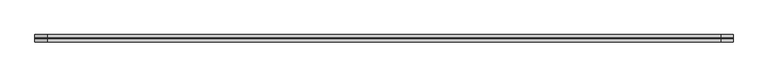
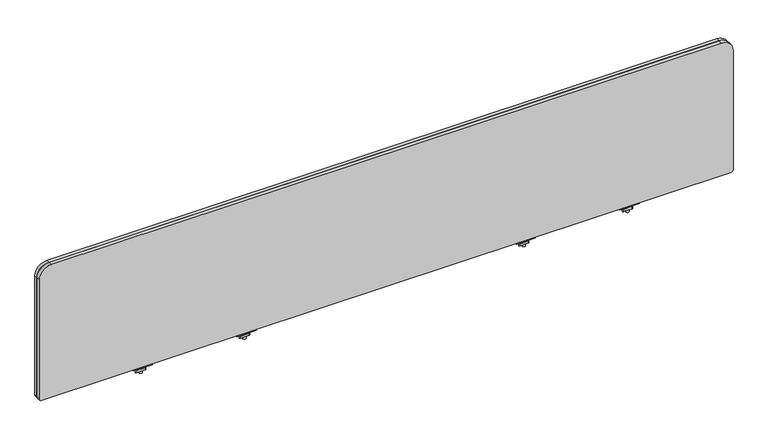
"""IFC4 building model written with IfcOpenShell, lengths in millimetres: furniture geometry."""

from ifc_helpers import new_model, si_unit, frame, origin, place, context, project, spatial, polyline, circle_curve, source, transform, mapped, element, save
from ifc_brep_helpers import plane_surface, cylinder_surface, revolved_surface, advanced_brep


def furniture_36da5503(model_context):
    return source(origin(), model_context, "Body", "AdvancedBrep", [
        advanced_brep(
        [(572.3633004, -29.196837, 670.6616072), (572.3633004, -33.5530914, 671.3021931), (572.3633004, -43.8905804, 671.3021931), (572.3633004, -48.246837, 670.6616072), (572.3633004, -48.246837, 668.8074326), (572.3633004, -29.196837, 668.8074326), (521.5633035, -29.196837, 670.6616072), (521.5633035, -29.196837, 668.8074326), (521.5633035, -48.246837, 668.8074326), (521.5633035, -48.246837, 670.6616072), (521.5633035, -43.8905804, 671.3021931), (521.5633035, -33.5530914, 671.3021931), (542.8705233, -38.7342719, 668.8074326), (550.8534767, -38.7342719, 668.8074326), (550.8534767, -38.7342719, 671.3021931), (542.8705233, -38.7342719, 671.3021931), (542.8705233, -38.7342719, 650.2879234), (550.8534767, -38.7342719, 650.2879234), (542.8705233, -38.7342719, 676.3883652), (550.8534767, -38.7342719, 676.3883652), (542.8705233, -38.7342719, 665.4211567), (550.8534767, -38.7342719, 665.4211567), (550.8534767, -38.7342719, 659.0711809), (542.8705233, -38.7342719, 659.0711809), (536.5459918, -33.0068357, 665.4211567), (530.3868209, -43.6748356, 665.4211567), (531.7066433, -45.9608347, 665.4211567), (554.7392346, -45.9608347, 665.4211567), (557.3788771, -44.4368361, 665.4211567), (563.5380487, -33.7688351, 665.4211567), (562.2182256, -31.4828349, 665.4211567), (539.1856383, -31.4828349, 665.4211567), (536.5459918, -33.0068357, 659.0711809), (539.1856383, -31.4828349, 659.0711809), (562.2182256, -31.4828349, 659.0711809), (563.5380487, -33.7688351, 659.0711809), (557.3788771, -44.4368361, 659.0711809), (554.7392346, -45.9608347, 659.0711809), (531.7066433, -45.9608347, 659.0711809), (530.3868209, -43.6748356, 659.0711809)],
        [
            (0, 1),
            (1, 2),
            (2, 3),
            (3, 4),
            (4, 5),
            (5, 0),
            (6, 7),
            (7, 8),
            (8, 9),
            (9, 10),
            (10, 11),
            (11, 6),
            (5, 7),
            (6, 0),
            (4, 8),
            (12, 13, circle_curve(frame((546.862, -38.7342719, 668.8074326), z_axis=(0.0, 0.0, 1.0), x_axis=(1.0, 0.0, 0.0)), 3.9914767)),
            (13, 12, circle_curve(frame((546.862, -38.7342719, 668.8074326), z_axis=(0.0, 0.0, 1.0), x_axis=(1.0, 0.0, 0.0)), 3.9914767)),
            (3, 9),
            (2, 10),
            (1, 11),
            (14, 15, circle_curve(frame((546.862, -38.7342719, 671.3021931), z_axis=(0.0, 0.0, -1.0), x_axis=(1.0, 0.0, 0.0)), 3.9914767)),
            (15, 14, circle_curve(frame((546.862, -38.7342719, 671.3021931), z_axis=(0.0, 0.0, -1.0), x_axis=(1.0, 0.0, 0.0)), 3.9914767)),
            (16, 17, circle_curve(frame((546.862, -38.7342719, 650.2879234), z_axis=(0.0, 0.0, -1.0), x_axis=(1.0, 0.0, 0.0)), 3.9914767)),
            (17, 16, circle_curve(frame((546.862, -38.7342719, 650.2879234), z_axis=(0.0, 0.0, -1.0), x_axis=(1.0, 0.0, 0.0)), 3.9914767)),
            (18, 19, circle_curve(frame((546.862, -38.7342719, 676.3883652), z_axis=(0.0, 0.0, 1.0), x_axis=(1.0, 0.0, 0.0)), 3.9914767)),
            (19, 18, circle_curve(frame((546.862, -38.7342719, 676.3883652), z_axis=(0.0, 0.0, 1.0), x_axis=(1.0, 0.0, 0.0)), 3.9914767)),
            (12, 20),
            (20, 21, circle_curve(frame((546.862, -38.7342719, 665.4211567), z_axis=(0.0, 0.0, 1.0), x_axis=(1.0, 0.0, 0.0)), 3.9914767)),
            (21, 13),
            (17, 22),
            (22, 23, circle_curve(frame((546.862, -38.7342719, 659.0711809), z_axis=(0.0, 0.0, -1.0), x_axis=(1.0, 0.0, 0.0)), 3.9914767)),
            (23, 16),
            (18, 15),
            (14, 19),
            (21, 20, circle_curve(frame((546.862, -38.7342719, 665.4211567), z_axis=(0.0, 0.0, 1.0), x_axis=(1.0, 0.0, 0.0)), 3.9914767)),
            (23, 22, circle_curve(frame((546.862, -38.7342719, 659.0711809), z_axis=(0.0, 0.0, -1.0), x_axis=(1.0, 0.0, 0.0)), 3.9914767)),
            (24, 25),
            (25, 26, circle_curve(frame((531.7066433, -44.4368352, 665.4211567), z_axis=(0.0, 0.0, 1.0), x_axis=(1.0, 0.0, 0.0)), 1.5239995)),
            (26, 27),
            (27, 28, circle_curve(frame((554.7392346, -42.9128382, 665.4211567), z_axis=(0.0, 0.0, 1.0), x_axis=(1.0, 0.0, 0.0)), 3.0479965)),
            (28, 29),
            (29, 30, circle_curve(frame((562.2182256, -33.0068351, 665.4211567), z_axis=(0.0, 0.0, 1.0), x_axis=(1.0, 0.0, 0.0)), 1.5240003)),
            (30, 31),
            (31, 24, circle_curve(frame((539.1856383, -34.5308359, 665.4211567), z_axis=(0.0, 0.0, 1.0), x_axis=(1.0, 0.0, 0.0)), 3.048001)),
            (32, 33, circle_curve(frame((539.1856383, -34.5308359, 659.0711809), z_axis=(0.0, 0.0, -1.0), x_axis=(1.0, 0.0, 0.0)), 3.048001)),
            (33, 34),
            (34, 35, circle_curve(frame((562.2182256, -33.0068351, 659.0711809), z_axis=(0.0, 0.0, -1.0), x_axis=(1.0, 0.0, 0.0)), 1.5240003)),
            (35, 36),
            (36, 37, circle_curve(frame((554.7392346, -42.9128382, 659.0711809), z_axis=(0.0, 0.0, -1.0), x_axis=(1.0, 0.0, 0.0)), 3.0479965)),
            (37, 38),
            (38, 39, circle_curve(frame((531.7066433, -44.4368352, 659.0711809), z_axis=(0.0, 0.0, -1.0), x_axis=(1.0, 0.0, 0.0)), 1.5239995)),
            (39, 32),
            (24, 32),
            (39, 25),
            (38, 26),
            (37, 27),
            (36, 28),
            (35, 29),
            (34, 30),
            (33, 31),
        ],
        [
            plane_surface(frame((572.3633004, -33.5530914, 671.3021931), z_axis=(1.0000000000000002, 0.0, 0.0), x_axis=(0.0, -0.9893604345476915, 0.14548515577749913))),
            plane_surface(frame((521.5633035, -33.5530914, 671.3021931), z_axis=(-1.0000000000000002, 0.0, 0.0), x_axis=(0.0, 0.9893604345476915, -0.14548515577749913))),
            plane_surface(frame((572.3633004, -29.196837, 668.8074326), z_axis=(0.0, 1.0, 0.0), x_axis=(-1.0, 0.0, 0.0))),
            plane_surface(frame((572.3633004, -48.246837, 668.8074326), z_axis=(0.0, 0.0, -1.0), x_axis=(-1.0, 0.0, 0.0))),
            plane_surface(frame((572.3633004, -48.246837, 670.6616072), z_axis=(0.0, -1.0, 0.0), x_axis=(-1.0, 0.0, 0.0))),
            plane_surface(frame((572.3633004, -43.8905804, 671.3021931), z_axis=(0.0, -0.1454850815406733, 0.9893604454641917), x_axis=(-1.0, 0.0, 0.0))),
            plane_surface(frame((572.3633004, -33.5530914, 671.3021931), z_axis=(0.0, 0.0, 1.0), x_axis=(-1.0, 0.0, 0.0))),
            plane_surface(frame((572.3633004, -29.196837, 670.6616072), z_axis=(0.0, 0.14548515577749913, 0.9893604345476915), x_axis=(-1.0, 0.0, 0.0))),
            plane_surface(frame((550.8534767, -38.7342719, 650.2879234), z_axis=(0.0, 0.0, -1.0), x_axis=(0.0, -1.0, 0.0))),
            plane_surface(frame((550.8534767, -38.7342719, 676.3883652), z_axis=(0.0, 0.0, 1.0), x_axis=(0.0, 1.0, 0.0))),
            cylinder_surface(frame((546.862, -38.7342719, 650.2879234), z_axis=(0.0, 0.0, 1.0), x_axis=(1.0, 0.0, 0.0)), 3.9914767),
            plane_surface(frame((530.3868201, -43.6748369, 665.4211567), z_axis=(0.0, 0.0, 1.0000000000000002), x_axis=(-0.4999998964528706, -0.8660254635673935, 0.0))),
            plane_surface(frame((530.3868201, -43.6748369, 659.0711809), z_axis=(0.0, 0.0, -1.0000000000000002), x_axis=(0.4999998964528706, 0.8660254635673935, 0.0))),
            plane_surface(frame((536.5459918, -33.0068357, 665.4211567), z_axis=(-0.8660254635673935, 0.4999998964528706, 0.0), x_axis=(0.0, 0.0, -1.0))),
            cylinder_surface(frame((531.7066433, -44.4368352, 659.0711809), z_axis=(0.0, 0.0, 1.0), x_axis=(1.0, 0.0, 0.0)), 1.5239995),
            plane_surface(frame((531.7066433, -45.9608347, 665.4211567), z_axis=(0.0, -1.0, 0.0), x_axis=(0.0, 0.0, -1.0))),
            cylinder_surface(frame((554.7392346, -42.9128382, 659.0711809), z_axis=(0.0, 0.0, 1.0), x_axis=(1.0, 0.0, 0.0)), 3.0479965),
            plane_surface(frame((557.3788771, -44.4368361, 665.4211567), z_axis=(0.8660254635674228, -0.4999998964528197, 0.0), x_axis=(0.0, 0.0, -1.0))),
            cylinder_surface(frame((562.2182256, -33.0068351, 659.0711809), z_axis=(0.0, 0.0, 1.0), x_axis=(1.0, 0.0, 0.0)), 1.5240003),
            plane_surface(frame((562.2182256, -31.4828349, 665.4211567), z_axis=(0.0, 1.0, 0.0), x_axis=(0.0, 0.0, -1.0))),
            cylinder_surface(frame((539.1856383, -34.5308359, 659.0711809), z_axis=(0.0, 0.0, 1.0), x_axis=(1.0, 0.0, 0.0)), 3.048001),
        ],
        [
            (0, [[1, 2, 3, 4, 5, 6]]),
            (1, [[7, 8, 9, 10, 11, 12]]),
            (2, [[-6, 13, -7, 14]]),
            (3, [[-5, 15, -8, -13], [16, 17]]),
            (4, [[-4, 18, -9, -15]]),
            (5, [[-3, 19, -10, -18]]),
            (6, [[-2, 20, -11, -19], [21, 22]]),
            (7, [[-1, -14, -12, -20]]),
            (8, [[23, 24]]),
            (9, [[25, 26]]),
            (10, [[-16, 27, 28, 29]]),
            (10, [[-24, 30, 31, 32]]),
            (10, [[-25, 33, -21, 34]]),
            (10, [[-17, -29, 35, -27]]),
            (10, [[-23, -32, 36, -30]]),
            (10, [[-26, -34, -22, -33]]),
            (11, [[37, 38, 39, 40, 41, 42, 43, 44], [-28, -35]]),
            (12, [[45, 46, 47, 48, 49, 50, 51, 52], [-31, -36]]),
            (13, [[-37, 53, -52, 54]]),
            (14, [[-38, -54, -51, 55]]),
            (15, [[-39, -55, -50, 56]]),
            (16, [[-40, -56, -49, 57]]),
            (17, [[-41, -57, -48, 58]]),
            (18, [[-42, -58, -47, 59]]),
            (19, [[-43, -59, -46, 60]]),
            (20, [[-44, -60, -45, -53]]),
        ],
    ),
        advanced_brep(
        [(1580.2353004, -29.196837, 670.6616072), (1580.2353004, -33.5530914, 671.3021931), (1580.2353004, -43.8905804, 671.3021931), (1580.2353004, -48.246837, 670.6616072), (1580.2353004, -48.246837, 668.8074326), (1580.2353004, -29.196837, 668.8074326), (1529.4353035, -29.196837, 670.6616072), (1529.4353035, -29.196837, 668.8074326), (1529.4353035, -48.246837, 668.8074326), (1529.4353035, -48.246837, 670.6616072), (1529.4353035, -43.8905804, 671.3021931), (1529.4353035, -33.5530914, 671.3021931), (1550.7425233, -38.7342719, 668.8074326), (1558.7254767, -38.7342719, 668.8074326), (1558.7254767, -38.7342719, 671.3021931), (1550.7425233, -38.7342719, 671.3021931), (1550.7425233, -38.7342719, 650.2879234), (1558.7254767, -38.7342719, 650.2879234), (1550.7425233, -38.7342719, 676.3883652), (1558.7254767, -38.7342719, 676.3883652), (1550.7425233, -38.7342719, 665.4211567), (1558.7254767, -38.7342719, 665.4211567), (1558.7254767, -38.7342719, 659.0711809), (1550.7425233, -38.7342719, 659.0711809), (1544.4179918, -33.0068357, 665.4211567), (1538.2588209, -43.6748356, 665.4211567), (1539.5786433, -45.9608347, 665.4211567), (1562.6112346, -45.9608347, 665.4211567), (1565.2508771, -44.4368361, 665.4211567), (1571.4100487, -33.7688351, 665.4211567), (1570.0902256, -31.4828349, 665.4211567), (1547.0576383, -31.4828349, 665.4211567), (1544.4179918, -33.0068357, 659.0711809), (1547.0576383, -31.4828349, 659.0711809), (1570.0902256, -31.4828349, 659.0711809), (1571.4100487, -33.7688351, 659.0711809), (1565.2508771, -44.4368361, 659.0711809), (1562.6112346, -45.9608347, 659.0711809), (1539.5786433, -45.9608347, 659.0711809), (1538.2588209, -43.6748356, 659.0711809)],
        [
            (0, 1),
            (1, 2),
            (2, 3),
            (3, 4),
            (4, 5),
            (5, 0),
            (6, 7),
            (7, 8),
            (8, 9),
            (9, 10),
            (10, 11),
            (11, 6),
            (5, 7),
            (6, 0),
            (4, 8),
            (12, 13, circle_curve(frame((1554.734, -38.7342719, 668.8074326), z_axis=(0.0, 0.0, 1.0), x_axis=(1.0, 0.0, 0.0)), 3.9914767)),
            (13, 12, circle_curve(frame((1554.734, -38.7342719, 668.8074326), z_axis=(0.0, 0.0, 1.0), x_axis=(1.0, 0.0, 0.0)), 3.9914767)),
            (3, 9),
            (2, 10),
            (1, 11),
            (14, 15, circle_curve(frame((1554.734, -38.7342719, 671.3021931), z_axis=(0.0, 0.0, -1.0), x_axis=(1.0, 0.0, 0.0)), 3.9914767)),
            (15, 14, circle_curve(frame((1554.734, -38.7342719, 671.3021931), z_axis=(0.0, 0.0, -1.0), x_axis=(1.0, 0.0, 0.0)), 3.9914767)),
            (16, 17, circle_curve(frame((1554.734, -38.7342719, 650.2879234), z_axis=(0.0, 0.0, -1.0), x_axis=(1.0, 0.0, 0.0)), 3.9914767)),
            (17, 16, circle_curve(frame((1554.734, -38.7342719, 650.2879234), z_axis=(0.0, 0.0, -1.0), x_axis=(1.0, 0.0, 0.0)), 3.9914767)),
            (18, 19, circle_curve(frame((1554.734, -38.7342719, 676.3883652), z_axis=(0.0, 0.0, 1.0), x_axis=(1.0, 0.0, 0.0)), 3.9914767)),
            (19, 18, circle_curve(frame((1554.734, -38.7342719, 676.3883652), z_axis=(0.0, 0.0, 1.0), x_axis=(1.0, 0.0, 0.0)), 3.9914767)),
            (12, 20),
            (20, 21, circle_curve(frame((1554.734, -38.7342719, 665.4211567), z_axis=(0.0, 0.0, 1.0), x_axis=(1.0, 0.0, 0.0)), 3.9914767)),
            (21, 13),
            (17, 22),
            (22, 23, circle_curve(frame((1554.734, -38.7342719, 659.0711809), z_axis=(0.0, 0.0, -1.0), x_axis=(1.0, 0.0, 0.0)), 3.9914767)),
            (23, 16),
            (18, 15),
            (14, 19),
            (21, 20, circle_curve(frame((1554.734, -38.7342719, 665.4211567), z_axis=(0.0, 0.0, 1.0), x_axis=(1.0, 0.0, 0.0)), 3.9914767)),
            (23, 22, circle_curve(frame((1554.734, -38.7342719, 659.0711809), z_axis=(0.0, 0.0, -1.0), x_axis=(1.0, 0.0, 0.0)), 3.9914767)),
            (24, 25),
            (25, 26, circle_curve(frame((1539.5786433, -44.4368352, 665.4211567), z_axis=(0.0, 0.0, 1.0), x_axis=(1.0, 0.0, 0.0)), 1.5239995)),
            (26, 27),
            (27, 28, circle_curve(frame((1562.6112346, -42.9128382, 665.4211567), z_axis=(0.0, 0.0, 1.0), x_axis=(1.0, 0.0, 0.0)), 3.0479965)),
            (28, 29),
            (29, 30, circle_curve(frame((1570.0902256, -33.0068351, 665.4211567), z_axis=(0.0, 0.0, 1.0), x_axis=(1.0, 0.0, 0.0)), 1.5240003)),
            (30, 31),
            (31, 24, circle_curve(frame((1547.0576383, -34.5308359, 665.4211567), z_axis=(0.0, 0.0, 1.0), x_axis=(1.0, 0.0, 0.0)), 3.048001)),
            (32, 33, circle_curve(frame((1547.0576383, -34.5308359, 659.0711809), z_axis=(0.0, 0.0, -1.0), x_axis=(1.0, 0.0, 0.0)), 3.048001)),
            (33, 34),
            (34, 35, circle_curve(frame((1570.0902256, -33.0068351, 659.0711809), z_axis=(0.0, 0.0, -1.0), x_axis=(1.0, 0.0, 0.0)), 1.5240003)),
            (35, 36),
            (36, 37, circle_curve(frame((1562.6112346, -42.9128382, 659.0711809), z_axis=(0.0, 0.0, -1.0), x_axis=(1.0, 0.0, 0.0)), 3.0479965)),
            (37, 38),
            (38, 39, circle_curve(frame((1539.5786433, -44.4368352, 659.0711809), z_axis=(0.0, 0.0, -1.0), x_axis=(1.0, 0.0, 0.0)), 1.5239995)),
            (39, 32),
            (24, 32),
            (39, 25),
            (38, 26),
            (37, 27),
            (36, 28),
            (35, 29),
            (34, 30),
            (33, 31),
        ],
        [
            plane_surface(frame((1580.2353004, -33.5530914, 671.3021931), z_axis=(1.0000000000000002, 0.0, 0.0), x_axis=(0.0, -0.9893604345476915, 0.14548515577749913))),
            plane_surface(frame((1529.4353035, -33.5530914, 671.3021931), z_axis=(-1.0000000000000002, 0.0, 0.0), x_axis=(0.0, 0.9893604345476915, -0.14548515577749913))),
            plane_surface(frame((1580.2353004, -29.196837, 668.8074326), z_axis=(0.0, 1.0, 0.0), x_axis=(-1.0, 0.0, 0.0))),
            plane_surface(frame((1580.2353004, -48.246837, 668.8074326), z_axis=(0.0, 0.0, -1.0), x_axis=(-1.0, 0.0, 0.0))),
            plane_surface(frame((1580.2353004, -48.246837, 670.6616072), z_axis=(0.0, -1.0, 0.0), x_axis=(-1.0, 0.0, 0.0))),
            plane_surface(frame((1580.2353004, -43.8905804, 671.3021931), z_axis=(0.0, -0.1454850815406733, 0.9893604454641917), x_axis=(-1.0, 0.0, 0.0))),
            plane_surface(frame((1580.2353004, -33.5530914, 671.3021931), z_axis=(0.0, 0.0, 1.0), x_axis=(-1.0, 0.0, 0.0))),
            plane_surface(frame((1580.2353004, -29.196837, 670.6616072), z_axis=(0.0, 0.14548515577749913, 0.9893604345476915), x_axis=(-1.0, 0.0, 0.0))),
            plane_surface(frame((1558.7254767, -38.7342719, 650.2879234), z_axis=(0.0, 0.0, -1.0), x_axis=(0.0, -1.0, 0.0))),
            plane_surface(frame((1558.7254767, -38.7342719, 676.3883652), z_axis=(0.0, 0.0, 1.0), x_axis=(0.0, 1.0, 0.0))),
            cylinder_surface(frame((1554.734, -38.7342719, 650.2879234), z_axis=(0.0, 0.0, 1.0), x_axis=(1.0, 0.0, 0.0)), 3.9914767),
            plane_surface(frame((1538.2588201, -43.6748369, 665.4211567), z_axis=(0.0, 0.0, 1.0000000000000002), x_axis=(-0.4999998964528706, -0.8660254635673935, 0.0))),
            plane_surface(frame((1538.2588201, -43.6748369, 659.0711809), z_axis=(0.0, 0.0, -1.0000000000000002), x_axis=(0.4999998964528706, 0.8660254635673935, 0.0))),
            plane_surface(frame((1544.4179918, -33.0068357, 665.4211567), z_axis=(-0.8660254635673935, 0.4999998964528706, 0.0), x_axis=(0.0, 0.0, -1.0))),
            cylinder_surface(frame((1539.5786433, -44.4368352, 659.0711809), z_axis=(0.0, 0.0, 1.0), x_axis=(1.0, 0.0, 0.0)), 1.5239995),
            plane_surface(frame((1539.5786433, -45.9608347, 665.4211567), z_axis=(0.0, -1.0, 0.0), x_axis=(0.0, 0.0, -1.0))),
            cylinder_surface(frame((1562.6112346, -42.9128382, 659.0711809), z_axis=(0.0, 0.0, 1.0), x_axis=(1.0, 0.0, 0.0)), 3.0479965),
            plane_surface(frame((1565.2508771, -44.4368361, 665.4211567), z_axis=(0.8660254635674228, -0.4999998964528197, 0.0), x_axis=(0.0, 0.0, -1.0))),
            cylinder_surface(frame((1570.0902256, -33.0068351, 659.0711809), z_axis=(0.0, 0.0, 1.0), x_axis=(1.0, 0.0, 0.0)), 1.5240003),
            plane_surface(frame((1570.0902256, -31.4828349, 665.4211567), z_axis=(0.0, 1.0, 0.0), x_axis=(0.0, 0.0, -1.0))),
            cylinder_surface(frame((1547.0576383, -34.5308359, 659.0711809), z_axis=(0.0, 0.0, 1.0), x_axis=(1.0, 0.0, 0.0)), 3.048001),
        ],
        [
            (0, [[1, 2, 3, 4, 5, 6]]),
            (1, [[7, 8, 9, 10, 11, 12]]),
            (2, [[-6, 13, -7, 14]]),
            (3, [[-5, 15, -8, -13], [16, 17]]),
            (4, [[-4, 18, -9, -15]]),
            (5, [[-3, 19, -10, -18]]),
            (6, [[-2, 20, -11, -19], [21, 22]]),
            (7, [[-1, -14, -12, -20]]),
            (8, [[23, 24]]),
            (9, [[25, 26]]),
            (10, [[-16, 27, 28, 29]]),
            (10, [[-24, 30, 31, 32]]),
            (10, [[-25, 33, -21, 34]]),
            (10, [[-17, -29, 35, -27]]),
            (10, [[-23, -32, 36, -30]]),
            (10, [[-26, -34, -22, -33]]),
            (11, [[37, 38, 39, 40, 41, 42, 43, 44], [-28, -35]]),
            (12, [[45, 46, 47, 48, 49, 50, 51, 52], [-31, -36]]),
            (13, [[-37, 53, -52, 54]]),
            (14, [[-38, -54, -51, 55]]),
            (15, [[-39, -55, -50, 56]]),
            (16, [[-40, -56, -49, 57]]),
            (17, [[-41, -57, -48, 58]]),
            (18, [[-42, -58, -47, 59]]),
            (19, [[-43, -59, -46, 60]]),
            (20, [[-44, -60, -45, -53]]),
        ],
    ),
        advanced_brep(
        [(1307.4393004, -29.196837, 670.6616072), (1307.4393004, -33.5530914, 671.3021931), (1307.4393004, -43.8905804, 671.3021931), (1307.4393004, -48.246837, 670.6616072), (1307.4393004, -48.246837, 668.8074326), (1307.4393004, -29.196837, 668.8074326), (1256.6393035, -29.196837, 670.6616072), (1256.6393035, -29.196837, 668.8074326), (1256.6393035, -48.246837, 668.8074326), (1256.6393035, -48.246837, 670.6616072), (1256.6393035, -43.8905804, 671.3021931), (1256.6393035, -33.5530914, 671.3021931), (1277.9465233, -38.7342719, 668.8074326), (1285.9294767, -38.7342719, 668.8074326), (1285.9294767, -38.7342719, 671.3021931), (1277.9465233, -38.7342719, 671.3021931), (1277.9465233, -38.7342719, 650.2879234), (1285.9294767, -38.7342719, 650.2879234), (1277.9465233, -38.7342719, 676.3883652), (1285.9294767, -38.7342719, 676.3883652), (1277.9465233, -38.7342719, 665.4211567), (1285.9294767, -38.7342719, 665.4211567), (1285.9294767, -38.7342719, 659.0711809), (1277.9465233, -38.7342719, 659.0711809), (1271.6219918, -33.0068357, 665.4211567), (1265.4628209, -43.6748356, 665.4211567), (1266.7826433, -45.9608347, 665.4211567), (1289.8152346, -45.9608347, 665.4211567), (1292.4548771, -44.4368361, 665.4211567), (1298.6140487, -33.7688351, 665.4211567), (1297.2942256, -31.4828349, 665.4211567), (1274.2616383, -31.4828349, 665.4211567), (1271.6219918, -33.0068357, 659.0711809), (1274.2616383, -31.4828349, 659.0711809), (1297.2942256, -31.4828349, 659.0711809), (1298.6140487, -33.7688351, 659.0711809), (1292.4548771, -44.4368361, 659.0711809), (1289.8152346, -45.9608347, 659.0711809), (1266.7826433, -45.9608347, 659.0711809), (1265.4628209, -43.6748356, 659.0711809)],
        [
            (0, 1),
            (1, 2),
            (2, 3),
            (3, 4),
            (4, 5),
            (5, 0),
            (6, 7),
            (7, 8),
            (8, 9),
            (9, 10),
            (10, 11),
            (11, 6),
            (5, 7),
            (6, 0),
            (4, 8),
            (12, 13, circle_curve(frame((1281.938, -38.7342719, 668.8074326), z_axis=(0.0, 0.0, 1.0), x_axis=(1.0, 0.0, 0.0)), 3.9914767)),
            (13, 12, circle_curve(frame((1281.938, -38.7342719, 668.8074326), z_axis=(0.0, 0.0, 1.0), x_axis=(1.0, 0.0, 0.0)), 3.9914767)),
            (3, 9),
            (2, 10),
            (1, 11),
            (14, 15, circle_curve(frame((1281.938, -38.7342719, 671.3021931), z_axis=(0.0, 0.0, -1.0), x_axis=(1.0, 0.0, 0.0)), 3.9914767)),
            (15, 14, circle_curve(frame((1281.938, -38.7342719, 671.3021931), z_axis=(0.0, 0.0, -1.0), x_axis=(1.0, 0.0, 0.0)), 3.9914767)),
            (16, 17, circle_curve(frame((1281.938, -38.7342719, 650.2879234), z_axis=(0.0, 0.0, -1.0), x_axis=(1.0, 0.0, 0.0)), 3.9914767)),
            (17, 16, circle_curve(frame((1281.938, -38.7342719, 650.2879234), z_axis=(0.0, 0.0, -1.0), x_axis=(1.0, 0.0, 0.0)), 3.9914767)),
            (18, 19, circle_curve(frame((1281.938, -38.7342719, 676.3883652), z_axis=(0.0, 0.0, 1.0), x_axis=(1.0, 0.0, 0.0)), 3.9914767)),
            (19, 18, circle_curve(frame((1281.938, -38.7342719, 676.3883652), z_axis=(0.0, 0.0, 1.0), x_axis=(1.0, 0.0, 0.0)), 3.9914767)),
            (12, 20),
            (20, 21, circle_curve(frame((1281.938, -38.7342719, 665.4211567), z_axis=(0.0, 0.0, 1.0), x_axis=(1.0, 0.0, 0.0)), 3.9914767)),
            (21, 13),
            (17, 22),
            (22, 23, circle_curve(frame((1281.938, -38.7342719, 659.0711809), z_axis=(0.0, 0.0, -1.0), x_axis=(1.0, 0.0, 0.0)), 3.9914767)),
            (23, 16),
            (18, 15),
            (14, 19),
            (21, 20, circle_curve(frame((1281.938, -38.7342719, 665.4211567), z_axis=(0.0, 0.0, 1.0), x_axis=(1.0, 0.0, 0.0)), 3.9914767)),
            (23, 22, circle_curve(frame((1281.938, -38.7342719, 659.0711809), z_axis=(0.0, 0.0, -1.0), x_axis=(1.0, 0.0, 0.0)), 3.9914767)),
            (24, 25),
            (25, 26, circle_curve(frame((1266.7826433, -44.4368352, 665.4211567), z_axis=(0.0, 0.0, 1.0), x_axis=(1.0, 0.0, 0.0)), 1.5239995)),
            (26, 27),
            (27, 28, circle_curve(frame((1289.8152346, -42.9128382, 665.4211567), z_axis=(0.0, 0.0, 1.0), x_axis=(1.0, 0.0, 0.0)), 3.0479965)),
            (28, 29),
            (29, 30, circle_curve(frame((1297.2942256, -33.0068351, 665.4211567), z_axis=(0.0, 0.0, 1.0), x_axis=(1.0, 0.0, 0.0)), 1.5240003)),
            (30, 31),
            (31, 24, circle_curve(frame((1274.2616383, -34.5308359, 665.4211567), z_axis=(0.0, 0.0, 1.0), x_axis=(1.0, 0.0, 0.0)), 3.048001)),
            (32, 33, circle_curve(frame((1274.2616383, -34.5308359, 659.0711809), z_axis=(0.0, 0.0, -1.0), x_axis=(1.0, 0.0, 0.0)), 3.048001)),
            (33, 34),
            (34, 35, circle_curve(frame((1297.2942256, -33.0068351, 659.0711809), z_axis=(0.0, 0.0, -1.0), x_axis=(1.0, 0.0, 0.0)), 1.5240003)),
            (35, 36),
            (36, 37, circle_curve(frame((1289.8152346, -42.9128382, 659.0711809), z_axis=(0.0, 0.0, -1.0), x_axis=(1.0, 0.0, 0.0)), 3.0479965)),
            (37, 38),
            (38, 39, circle_curve(frame((1266.7826433, -44.4368352, 659.0711809), z_axis=(0.0, 0.0, -1.0), x_axis=(1.0, 0.0, 0.0)), 1.5239995)),
            (39, 32),
            (24, 32),
            (39, 25),
            (38, 26),
            (37, 27),
            (36, 28),
            (35, 29),
            (34, 30),
            (33, 31),
        ],
        [
            plane_surface(frame((1307.4393004, -33.5530914, 671.3021931), z_axis=(1.0000000000000002, 0.0, 0.0), x_axis=(0.0, -0.9893604345476915, 0.14548515577749913))),
            plane_surface(frame((1256.6393035, -33.5530914, 671.3021931), z_axis=(-1.0000000000000002, 0.0, 0.0), x_axis=(0.0, 0.9893604345476915, -0.14548515577749913))),
            plane_surface(frame((1307.4393004, -29.196837, 668.8074326), z_axis=(0.0, 1.0, 0.0), x_axis=(-1.0, 0.0, 0.0))),
            plane_surface(frame((1307.4393004, -48.246837, 668.8074326), z_axis=(0.0, 0.0, -1.0), x_axis=(-1.0, 0.0, 0.0))),
            plane_surface(frame((1307.4393004, -48.246837, 670.6616072), z_axis=(0.0, -1.0, 0.0), x_axis=(-1.0, 0.0, 0.0))),
            plane_surface(frame((1307.4393004, -43.8905804, 671.3021931), z_axis=(0.0, -0.1454850815406733, 0.9893604454641917), x_axis=(-1.0, 0.0, 0.0))),
            plane_surface(frame((1307.4393004, -33.5530914, 671.3021931), z_axis=(0.0, 0.0, 1.0), x_axis=(-1.0, 0.0, 0.0))),
            plane_surface(frame((1307.4393004, -29.196837, 670.6616072), z_axis=(0.0, 0.14548515577749913, 0.9893604345476915), x_axis=(-1.0, 0.0, 0.0))),
            plane_surface(frame((1285.9294767, -38.7342719, 650.2879234), z_axis=(0.0, 0.0, -1.0), x_axis=(0.0, -1.0, 0.0))),
            plane_surface(frame((1285.9294767, -38.7342719, 676.3883652), z_axis=(0.0, 0.0, 1.0), x_axis=(0.0, 1.0, 0.0))),
            cylinder_surface(frame((1281.938, -38.7342719, 650.2879234), z_axis=(0.0, 0.0, 1.0), x_axis=(1.0, 0.0, 0.0)), 3.9914767),
            plane_surface(frame((1265.4628201, -43.6748369, 665.4211567), z_axis=(0.0, 0.0, 1.0000000000000002), x_axis=(-0.4999998964528706, -0.8660254635673935, 0.0))),
            plane_surface(frame((1265.4628201, -43.6748369, 659.0711809), z_axis=(0.0, 0.0, -1.0000000000000002), x_axis=(0.4999998964528706, 0.8660254635673935, 0.0))),
            plane_surface(frame((1271.6219918, -33.0068357, 665.4211567), z_axis=(-0.8660254635673935, 0.4999998964528706, 0.0), x_axis=(0.0, 0.0, -1.0))),
            cylinder_surface(frame((1266.7826433, -44.4368352, 659.0711809), z_axis=(0.0, 0.0, 1.0), x_axis=(1.0, 0.0, 0.0)), 1.5239995),
            plane_surface(frame((1266.7826433, -45.9608347, 665.4211567), z_axis=(0.0, -1.0, 0.0), x_axis=(0.0, 0.0, -1.0))),
            cylinder_surface(frame((1289.8152346, -42.9128382, 659.0711809), z_axis=(0.0, 0.0, 1.0), x_axis=(1.0, 0.0, 0.0)), 3.0479965),
            plane_surface(frame((1292.4548771, -44.4368361, 665.4211567), z_axis=(0.8660254635674228, -0.4999998964528197, 0.0), x_axis=(0.0, 0.0, -1.0))),
            cylinder_surface(frame((1297.2942256, -33.0068351, 659.0711809), z_axis=(0.0, 0.0, 1.0), x_axis=(1.0, 0.0, 0.0)), 1.5240003),
            plane_surface(frame((1297.2942256, -31.4828349, 665.4211567), z_axis=(0.0, 1.0, 0.0), x_axis=(0.0, 0.0, -1.0))),
            cylinder_surface(frame((1274.2616383, -34.5308359, 659.0711809), z_axis=(0.0, 0.0, 1.0), x_axis=(1.0, 0.0, 0.0)), 3.048001),
        ],
        [
            (0, [[1, 2, 3, 4, 5, 6]]),
            (1, [[7, 8, 9, 10, 11, 12]]),
            (2, [[-6, 13, -7, 14]]),
            (3, [[-5, 15, -8, -13], [16, 17]]),
            (4, [[-4, 18, -9, -15]]),
            (5, [[-3, 19, -10, -18]]),
            (6, [[-2, 20, -11, -19], [21, 22]]),
            (7, [[-1, -14, -12, -20]]),
            (8, [[23, 24]]),
            (9, [[25, 26]]),
            (10, [[-16, 27, 28, 29]]),
            (10, [[-24, 30, 31, 32]]),
            (10, [[-25, 33, -21, 34]]),
            (10, [[-17, -29, 35, -27]]),
            (10, [[-23, -32, 36, -30]]),
            (10, [[-26, -34, -22, -33]]),
            (11, [[37, 38, 39, 40, 41, 42, 43, 44], [-28, -35]]),
            (12, [[45, 46, 47, 48, 49, 50, 51, 52], [-31, -36]]),
            (13, [[-37, 53, -52, 54]]),
            (14, [[-38, -54, -51, 55]]),
            (15, [[-39, -55, -50, 56]]),
            (16, [[-40, -56, -49, 57]]),
            (17, [[-41, -57, -48, 58]]),
            (18, [[-42, -58, -47, 59]]),
            (19, [[-43, -59, -46, 60]]),
            (20, [[-44, -60, -45, -53]]),
        ],
    ),
        advanced_brep(
        [(299.5673004, -29.196837, 670.6616072), (299.5673004, -33.5530914, 671.3021931), (299.5673004, -43.8905804, 671.3021931), (299.5673004, -48.246837, 670.6616072), (299.5673004, -48.246837, 668.8074326), (299.5673004, -29.196837, 668.8074326), (248.7673035, -29.196837, 670.6616072), (248.7673035, -29.196837, 668.8074326), (248.7673035, -48.246837, 668.8074326), (248.7673035, -48.246837, 670.6616072), (248.7673035, -43.8905804, 671.3021931), (248.7673035, -33.5530914, 671.3021931), (270.0745233, -38.7342719, 668.8074326), (278.0574767, -38.7342719, 668.8074326), (278.0574767, -38.7342719, 671.3021931), (270.0745233, -38.7342719, 671.3021931), (270.0745233, -38.7342719, 650.2879234), (278.0574767, -38.7342719, 650.2879234), (270.0745233, -38.7342719, 676.3883652), (278.0574767, -38.7342719, 676.3883652), (270.0745233, -38.7342719, 665.4211567), (278.0574767, -38.7342719, 665.4211567), (278.0574767, -38.7342719, 659.0711809), (270.0745233, -38.7342719, 659.0711809), (263.7499918, -33.0068357, 665.4211567), (257.5908209, -43.6748356, 665.4211567), (258.9106433, -45.9608347, 665.4211567), (281.9432346, -45.9608347, 665.4211567), (284.5828771, -44.4368361, 665.4211567), (290.7420487, -33.7688351, 665.4211567), (289.4222256, -31.4828349, 665.4211567), (266.3896383, -31.4828349, 665.4211567), (263.7499918, -33.0068357, 659.0711809), (266.3896383, -31.4828349, 659.0711809), (289.4222256, -31.4828349, 659.0711809), (290.7420487, -33.7688351, 659.0711809), (284.5828771, -44.4368361, 659.0711809), (281.9432346, -45.9608347, 659.0711809), (258.9106433, -45.9608347, 659.0711809), (257.5908209, -43.6748356, 659.0711809)],
        [
            (0, 1),
            (1, 2),
            (2, 3),
            (3, 4),
            (4, 5),
            (5, 0),
            (6, 7),
            (7, 8),
            (8, 9),
            (9, 10),
            (10, 11),
            (11, 6),
            (5, 7),
            (6, 0),
            (4, 8),
            (12, 13, circle_curve(frame((274.066, -38.7342719, 668.8074326), z_axis=(0.0, 0.0, 1.0), x_axis=(1.0, 0.0, 0.0)), 3.9914767)),
            (13, 12, circle_curve(frame((274.066, -38.7342719, 668.8074326), z_axis=(0.0, 0.0, 1.0), x_axis=(1.0, 0.0, 0.0)), 3.9914767)),
            (3, 9),
            (2, 10),
            (1, 11),
            (14, 15, circle_curve(frame((274.066, -38.7342719, 671.3021931), z_axis=(0.0, 0.0, -1.0), x_axis=(1.0, 0.0, 0.0)), 3.9914767)),
            (15, 14, circle_curve(frame((274.066, -38.7342719, 671.3021931), z_axis=(0.0, 0.0, -1.0), x_axis=(1.0, 0.0, 0.0)), 3.9914767)),
            (16, 17, circle_curve(frame((274.066, -38.7342719, 650.2879234), z_axis=(0.0, 0.0, -1.0), x_axis=(1.0, 0.0, 0.0)), 3.9914767)),
            (17, 16, circle_curve(frame((274.066, -38.7342719, 650.2879234), z_axis=(0.0, 0.0, -1.0), x_axis=(1.0, 0.0, 0.0)), 3.9914767)),
            (18, 19, circle_curve(frame((274.066, -38.7342719, 676.3883652), z_axis=(0.0, 0.0, 1.0), x_axis=(1.0, 0.0, 0.0)), 3.9914767)),
            (19, 18, circle_curve(frame((274.066, -38.7342719, 676.3883652), z_axis=(0.0, 0.0, 1.0), x_axis=(1.0, 0.0, 0.0)), 3.9914767)),
            (12, 20),
            (20, 21, circle_curve(frame((274.066, -38.7342719, 665.4211567), z_axis=(0.0, 0.0, 1.0), x_axis=(1.0, 0.0, 0.0)), 3.9914767)),
            (21, 13),
            (17, 22),
            (22, 23, circle_curve(frame((274.066, -38.7342719, 659.0711809), z_axis=(0.0, 0.0, -1.0), x_axis=(1.0, 0.0, 0.0)), 3.9914767)),
            (23, 16),
            (18, 15),
            (14, 19),
            (21, 20, circle_curve(frame((274.066, -38.7342719, 665.4211567), z_axis=(0.0, 0.0, 1.0), x_axis=(1.0, 0.0, 0.0)), 3.9914767)),
            (23, 22, circle_curve(frame((274.066, -38.7342719, 659.0711809), z_axis=(0.0, 0.0, -1.0), x_axis=(1.0, 0.0, 0.0)), 3.9914767)),
            (24, 25),
            (25, 26, circle_curve(frame((258.9106433, -44.4368352, 665.4211567), z_axis=(0.0, 0.0, 1.0), x_axis=(1.0, 0.0, 0.0)), 1.5239995)),
            (26, 27),
            (27, 28, circle_curve(frame((281.9432346, -42.9128382, 665.4211567), z_axis=(0.0, 0.0, 1.0), x_axis=(1.0, 0.0, 0.0)), 3.0479965)),
            (28, 29),
            (29, 30, circle_curve(frame((289.4222256, -33.0068351, 665.4211567), z_axis=(0.0, 0.0, 1.0), x_axis=(1.0, 0.0, 0.0)), 1.5240003)),
            (30, 31),
            (31, 24, circle_curve(frame((266.3896383, -34.5308359, 665.4211567), z_axis=(0.0, 0.0, 1.0), x_axis=(1.0, 0.0, 0.0)), 3.048001)),
            (32, 33, circle_curve(frame((266.3896383, -34.5308359, 659.0711809), z_axis=(0.0, 0.0, -1.0), x_axis=(1.0, 0.0, 0.0)), 3.048001)),
            (33, 34),
            (34, 35, circle_curve(frame((289.4222256, -33.0068351, 659.0711809), z_axis=(0.0, 0.0, -1.0), x_axis=(1.0, 0.0, 0.0)), 1.5240003)),
            (35, 36),
            (36, 37, circle_curve(frame((281.9432346, -42.9128382, 659.0711809), z_axis=(0.0, 0.0, -1.0), x_axis=(1.0, 0.0, 0.0)), 3.0479965)),
            (37, 38),
            (38, 39, circle_curve(frame((258.9106433, -44.4368352, 659.0711809), z_axis=(0.0, 0.0, -1.0), x_axis=(1.0, 0.0, 0.0)), 1.5239995)),
            (39, 32),
            (24, 32),
            (39, 25),
            (38, 26),
            (37, 27),
            (36, 28),
            (35, 29),
            (34, 30),
            (33, 31),
        ],
        [
            plane_surface(frame((299.5673004, -33.5530914, 671.3021931), z_axis=(1.0000000000000002, 0.0, 0.0), x_axis=(0.0, -0.9893604345476915, 0.14548515577749913))),
            plane_surface(frame((248.7673035, -33.5530914, 671.3021931), z_axis=(-1.0000000000000002, 0.0, 0.0), x_axis=(0.0, 0.9893604345476915, -0.14548515577749913))),
            plane_surface(frame((299.5673004, -29.196837, 668.8074326), z_axis=(0.0, 1.0, 0.0), x_axis=(-1.0, 0.0, 0.0))),
            plane_surface(frame((299.5673004, -48.246837, 668.8074326), z_axis=(0.0, 0.0, -1.0), x_axis=(-1.0, 0.0, 0.0))),
            plane_surface(frame((299.5673004, -48.246837, 670.6616072), z_axis=(0.0, -1.0, 0.0), x_axis=(-1.0, 0.0, 0.0))),
            plane_surface(frame((299.5673004, -43.8905804, 671.3021931), z_axis=(0.0, -0.1454850815406733, 0.9893604454641917), x_axis=(-1.0, 0.0, 0.0))),
            plane_surface(frame((299.5673004, -33.5530914, 671.3021931), z_axis=(0.0, 0.0, 1.0), x_axis=(-1.0, 0.0, 0.0))),
            plane_surface(frame((299.5673004, -29.196837, 670.6616072), z_axis=(0.0, 0.14548515577749913, 0.9893604345476915), x_axis=(-1.0, 0.0, 0.0))),
            plane_surface(frame((278.0574767, -38.7342719, 650.2879234), z_axis=(0.0, 0.0, -1.0), x_axis=(0.0, -1.0, 0.0))),
            plane_surface(frame((278.0574767, -38.7342719, 676.3883652), z_axis=(0.0, 0.0, 1.0), x_axis=(0.0, 1.0, 0.0))),
            cylinder_surface(frame((274.066, -38.7342719, 650.2879234), z_axis=(0.0, 0.0, 1.0), x_axis=(1.0, 0.0, 0.0)), 3.9914767),
            plane_surface(frame((257.5908201, -43.6748369, 665.4211567), z_axis=(0.0, 0.0, 1.0000000000000002), x_axis=(-0.4999998964528706, -0.8660254635673935, 0.0))),
            plane_surface(frame((257.5908201, -43.6748369, 659.0711809), z_axis=(0.0, 0.0, -1.0000000000000002), x_axis=(0.4999998964528706, 0.8660254635673935, 0.0))),
            plane_surface(frame((263.7499918, -33.0068357, 665.4211567), z_axis=(-0.8660254635673935, 0.4999998964528706, 0.0), x_axis=(0.0, 0.0, -1.0))),
            cylinder_surface(frame((258.9106433, -44.4368352, 659.0711809), z_axis=(0.0, 0.0, 1.0), x_axis=(1.0, 0.0, 0.0)), 1.5239995),
            plane_surface(frame((258.9106433, -45.9608347, 665.4211567), z_axis=(0.0, -1.0, 0.0), x_axis=(0.0, 0.0, -1.0))),
            cylinder_surface(frame((281.9432346, -42.9128382, 659.0711809), z_axis=(0.0, 0.0, 1.0), x_axis=(1.0, 0.0, 0.0)), 3.0479965),
            plane_surface(frame((284.5828771, -44.4368361, 665.4211567), z_axis=(0.8660254635674228, -0.4999998964528197, 0.0), x_axis=(0.0, 0.0, -1.0))),
            cylinder_surface(frame((289.4222256, -33.0068351, 659.0711809), z_axis=(0.0, 0.0, 1.0), x_axis=(1.0, 0.0, 0.0)), 1.5240003),
            plane_surface(frame((289.4222256, -31.4828349, 665.4211567), z_axis=(0.0, 1.0, 0.0), x_axis=(0.0, 0.0, -1.0))),
            cylinder_surface(frame((266.3896383, -34.5308359, 659.0711809), z_axis=(0.0, 0.0, 1.0), x_axis=(1.0, 0.0, 0.0)), 3.048001),
        ],
        [
            (0, [[1, 2, 3, 4, 5, 6]]),
            (1, [[7, 8, 9, 10, 11, 12]]),
            (2, [[-6, 13, -7, 14]]),
            (3, [[-5, 15, -8, -13], [16, 17]]),
            (4, [[-4, 18, -9, -15]]),
            (5, [[-3, 19, -10, -18]]),
            (6, [[-2, 20, -11, -19], [21, 22]]),
            (7, [[-1, -14, -12, -20]]),
            (8, [[23, 24]]),
            (9, [[25, 26]]),
            (10, [[-16, 27, 28, 29]]),
            (10, [[-24, 30, 31, 32]]),
            (10, [[-25, 33, -21, 34]]),
            (10, [[-17, -29, 35, -27]]),
            (10, [[-23, -32, 36, -30]]),
            (10, [[-26, -34, -22, -33]]),
            (11, [[37, 38, 39, 40, 41, 42, 43, 44], [-28, -35]]),
            (12, [[45, 46, 47, 48, 49, 50, 51, 52], [-31, -36]]),
            (13, [[-37, 53, -52, 54]]),
            (14, [[-38, -54, -51, 55]]),
            (15, [[-39, -55, -50, 56]]),
            (16, [[-40, -56, -49, 57]]),
            (17, [[-41, -57, -48, 58]]),
            (18, [[-42, -58, -47, 59]]),
            (19, [[-43, -59, -46, 60]]),
            (20, [[-44, -60, -45, -53]]),
        ],
    ),
        advanced_brep(
        [(1.524, -39.0006475, 677.6986292), (7.874, -39.0006475, 671.3486292), (7.874, -48.2716273, 671.3486292), (1.524, -48.2716273, 677.6986292), (2.2976108, -38.7342719, 677.6986292), (7.874, -38.7342719, 672.12224), (1.524, -38.4678963, 677.6986292), (7.874, -38.4678963, 671.3486292), (1.524, -29.1969165, 677.6986292), (7.874, -29.1969165, 671.3486292), (1.524, -48.2716273, 1008.9145313), (1.524, -39.0006475, 1008.9145313), (2.2976108, -38.7342719, 1008.9145313), (1.524, -38.4678963, 1008.9145313), (1.524, -29.1969165, 1008.9145313), (33.274, -48.2716273, 1040.6645313), (33.274, -39.0006475, 1040.6645313), (33.274, -38.7342719, 1039.8909205), (33.274, -38.4678963, 1040.6645313), (33.274, -29.1969165, 1040.6645313), (1795.5255291, -48.2716273, 1040.6645313), (1795.5255291, -39.0006475, 1040.6645313), (1795.5255291, -38.7342719, 1039.8909205), (1795.5255291, -38.4678963, 1040.6645313), (1795.5255291, -29.1969165, 1040.6645313), (1827.2755291, -48.2716273, 1008.9145313), (1827.2755291, -39.0006475, 1008.9145313), (1826.5019183, -38.7342719, 1008.9145313), (1827.2755291, -38.4678963, 1008.9145313), (1827.2755291, -29.1969165, 1008.9145313), (1827.2755291, -48.2716273, 677.6986292), (1827.2755291, -39.0006475, 677.6986292), (1826.5019183, -38.7342719, 677.6986292), (1827.2755291, -38.4678963, 677.6986292), (1827.2755291, -29.1969165, 677.6986292), (1820.9255291, -48.2716273, 671.3486292), (1820.9255291, -39.0006475, 671.3486292), (1820.9255291, -38.7342719, 672.12224), (1820.9255291, -38.4678963, 671.3486292), (1820.9255291, -29.1969165, 671.3486292)],
        [
            (0, 1, circle_curve(frame((7.874, -39.0006475, 677.6986292), z_axis=(0.0, -1.0, 0.0), x_axis=(0.0, 0.0, -1.0)), 6.35)),
            (1, 2),
            (2, 3, circle_curve(frame((7.874, -48.2716273, 677.6986292), z_axis=(0.0, 1.0, 0.0), x_axis=(0.0, 0.0, -1.0)), 6.35)),
            (3, 0),
            (0, 4),
            (4, 5, circle_curve(frame((7.874, -38.7342719, 677.6986292), z_axis=(0.0, -1.0, 0.0), x_axis=(0.0, 0.0, -1.0)), 5.5763892)),
            (5, 1),
            (4, 6),
            (6, 7, circle_curve(frame((7.874, -38.4678963, 677.6986292), z_axis=(0.0, -1.0, 0.0), x_axis=(0.0, 0.0, -1.0)), 6.35)),
            (7, 5),
            (6, 8),
            (8, 9, circle_curve(frame((7.874, -29.1969165, 677.6986292), z_axis=(0.0, -1.0, 0.0), x_axis=(0.0, 0.0, -1.0)), 6.35)),
            (9, 7),
            (3, 10),
            (10, 11),
            (11, 0),
            (11, 12),
            (12, 4),
            (12, 13),
            (13, 6),
            (13, 14),
            (14, 8),
            (10, 15, circle_curve(frame((33.274, -48.2716273, 1008.9145313), z_axis=(0.0, 1.0, 0.0), x_axis=(-1.0, 0.0, 0.0)), 31.75)),
            (15, 16),
            (16, 11, circle_curve(frame((33.274, -39.0006475, 1008.9145313), z_axis=(0.0, -1.0, 0.0), x_axis=(-1.0, 0.0, 0.0)), 31.75)),
            (16, 17),
            (17, 12, circle_curve(frame((33.274, -38.7342719, 1008.9145313), z_axis=(0.0, -1.0, 0.0), x_axis=(-1.0, 0.0, 0.0)), 30.9763892)),
            (17, 18),
            (18, 13, circle_curve(frame((33.274, -38.4678963, 1008.9145313), z_axis=(0.0, -1.0, 0.0), x_axis=(-1.0, 0.0, 0.0)), 31.75)),
            (18, 19),
            (19, 14, circle_curve(frame((33.274, -29.1969165, 1008.9145313), z_axis=(0.0, -1.0, 0.0), x_axis=(-1.0, 0.0, 0.0)), 31.75)),
            (15, 20),
            (20, 21),
            (21, 16),
            (21, 22),
            (22, 17),
            (22, 23),
            (23, 18),
            (23, 24),
            (24, 19),
            (20, 25, circle_curve(frame((1795.5255291, -48.2716273, 1008.9145313), z_axis=(0.0, 1.0, 0.0), x_axis=(0.0, 0.0, 1.0)), 31.75)),
            (25, 26),
            (26, 21, circle_curve(frame((1795.5255291, -39.0006475, 1008.9145313), z_axis=(0.0, -1.0, 0.0), x_axis=(0.0, 0.0, 1.0)), 31.75)),
            (26, 27),
            (27, 22, circle_curve(frame((1795.5255291, -38.7342719, 1008.9145313), z_axis=(0.0, -1.0, 0.0), x_axis=(0.0, 0.0, 1.0)), 30.9763892)),
            (27, 28),
            (28, 23, circle_curve(frame((1795.5255291, -38.4678963, 1008.9145313), z_axis=(0.0, -1.0, 0.0), x_axis=(0.0, 0.0, 1.0)), 31.75)),
            (28, 29),
            (29, 24, circle_curve(frame((1795.5255291, -29.1969165, 1008.9145313), z_axis=(0.0, -1.0, 0.0), x_axis=(0.0, 0.0, 1.0)), 31.75)),
            (25, 30),
            (30, 31),
            (31, 26),
            (31, 32),
            (32, 27),
            (32, 33),
            (33, 28),
            (33, 34),
            (34, 29),
            (30, 35, circle_curve(frame((1820.9255291, -48.2716273, 677.6986292), z_axis=(0.0, 1.0, 0.0), x_axis=(1.0, 0.0, 0.0)), 6.35)),
            (35, 36),
            (36, 31, circle_curve(frame((1820.9255291, -39.0006475, 677.6986292), z_axis=(0.0, -1.0, 0.0), x_axis=(1.0, 0.0, 0.0)), 6.35)),
            (36, 37),
            (37, 32, circle_curve(frame((1820.9255291, -38.7342719, 677.6986292), z_axis=(0.0, -1.0, 0.0), x_axis=(1.0, 0.0, 0.0)), 5.5763892)),
            (37, 38),
            (38, 33, circle_curve(frame((1820.9255291, -38.4678963, 677.6986292), z_axis=(0.0, -1.0, 0.0), x_axis=(1.0, 0.0, 0.0)), 6.35)),
            (38, 39),
            (39, 34, circle_curve(frame((1820.9255291, -29.1969165, 677.6986292), z_axis=(0.0, -1.0, 0.0), x_axis=(1.0, 0.0, 0.0)), 6.35)),
            (39, 9),
            (2, 35),
            (1, 36),
            (5, 37),
            (7, 38),
        ],
        [
            cylinder_surface(frame((7.874, -38.7342719, 677.6986292), z_axis=(0.0, 1.0, 0.0), x_axis=(0.0, 0.0, -1.0)), 6.35),
            revolved_surface(polyline([(7.874, -39.0006475, 671.3486292), (7.874, -38.7342719, 672.12224)]), (7.874, -38.7342719, 677.6986292), (0.0, 1.0, 0.0)),
            revolved_surface(polyline([(7.874, -38.7342719, 672.12224), (7.874, -38.4678963, 671.3486292)]), (7.874, -38.7342719, 677.6986292), (0.0, 1.0, 0.0)),
            plane_surface(frame((1.524, -48.2716273, 677.6986292), z_axis=(-1.0, 0.0, 0.0), x_axis=(0.0, 0.0, 1.0))),
            plane_surface(frame((1.524, -39.0006475, 677.6986292), z_axis=(-0.32556815445506515, 0.945518575600037, 0.0), x_axis=(0.0, 0.0, 1.0))),
            plane_surface(frame((2.2976108, -38.7342719, 677.6986292), z_axis=(-0.3255681544571603, -0.9455185755993156, 0.0), x_axis=(0.0, 0.0, 1.0))),
            plane_surface(frame((1.524, -38.4678963, 677.6986292), z_axis=(-1.0, 0.0, 0.0), x_axis=(0.0, 0.0, 1.0))),
            cylinder_surface(frame((33.274, -38.7342719, 1008.9145313), z_axis=(0.0, 1.0, 0.0), x_axis=(-1.0, 0.0, 0.0)), 31.75),
            revolved_surface(polyline([(1.524, -39.0006475, 1008.9145313), (2.2976108, -38.7342719, 1008.9145313)]), (33.274, -38.7342719, 1008.9145313), (0.0, 1.0, 0.0)),
            revolved_surface(polyline([(2.2976108, -38.7342719, 1008.9145313), (1.524, -38.4678963, 1008.9145313)]), (33.274, -38.7342719, 1008.9145313), (0.0, 1.0, 0.0)),
            plane_surface(frame((33.274, -48.2716273, 1040.6645313), z_axis=(0.0, 0.0, 1.0), x_axis=(1.0, 0.0, 0.0))),
            plane_surface(frame((33.274, -39.0006475, 1040.6645313), z_axis=(0.0, 0.945518575600036, 0.3255681544550682), x_axis=(1.0, 0.0, 0.0))),
            plane_surface(frame((33.274, -38.7342719, 1039.8909205), z_axis=(0.0, -0.9455185755993166, 0.32556815445715725), x_axis=(1.0, 0.0, 0.0))),
            plane_surface(frame((33.274, -38.4678963, 1040.6645313), z_axis=(0.0, 0.0, 1.0), x_axis=(1.0, 0.0, 0.0))),
            cylinder_surface(frame((1795.5255291, -38.7342719, 1008.9145313), z_axis=(0.0, 1.0, 0.0), x_axis=(0.0, 0.0, 1.0)), 31.75),
            revolved_surface(polyline([(1795.5255291, -39.0006475, 1040.6645313), (1795.5255291, -38.7342719, 1039.8909205)]), (1795.5255291, -38.7342719, 1008.9145313), (0.0, 1.0, 0.0)),
            revolved_surface(polyline([(1795.5255291, -38.7342719, 1039.8909205), (1795.5255291, -38.4678963, 1040.6645313)]), (1795.5255291, -38.7342719, 1008.9145313), (0.0, 1.0, 0.0)),
            plane_surface(frame((1827.2755291, -48.2716273, 1008.9145313), z_axis=(1.0, 0.0, 0.0), x_axis=(0.0, 0.0, -1.0))),
            plane_surface(frame((1827.2755291, -39.0006475, 1008.9145313), z_axis=(0.32556815445507126, 0.945518575600035, 0.0), x_axis=(0.0, 0.0, -1.0))),
            plane_surface(frame((1826.5019183, -38.7342719, 1008.9145313), z_axis=(0.3255681544571542, -0.9455185755993176, 0.0), x_axis=(0.0, 0.0, -1.0))),
            plane_surface(frame((1827.2755291, -38.4678963, 1008.9145313), z_axis=(1.0, 0.0, 0.0), x_axis=(0.0, 0.0, -1.0))),
            cylinder_surface(frame((1820.9255291, -38.7342719, 677.6986292), z_axis=(0.0, 1.0, 0.0), x_axis=(1.0, 0.0, 0.0)), 6.35),
            revolved_surface(polyline([(1827.2755291, -39.0006475, 677.6986292), (1826.5019183, -38.7342719, 677.6986292)]), (1820.9255291, -38.7342719, 677.6986292), (0.0, 1.0, 0.0)),
            revolved_surface(polyline([(1826.5019183, -38.7342719, 677.6986292), (1827.2755291, -38.4678963, 677.6986292)]), (1820.9255291, -38.7342719, 677.6986292), (0.0, 1.0, 0.0)),
            plane_surface(frame((1820.9255291, -29.1969165, 671.3486292), z_axis=(0.0, 1.0, 0.0), x_axis=(-1.0, 0.0, 0.0))),
            plane_surface(frame((1820.9255291, -48.2716273, 674.1633557), z_axis=(0.0, -1.0, 0.0), x_axis=(-1.0, 0.0, 0.0))),
            plane_surface(frame((1820.9255291, -48.2716273, 671.3486292), z_axis=(0.0, 0.0, -1.0), x_axis=(-1.0, 0.0, 0.0))),
            plane_surface(frame((1820.9255291, -39.0006475, 671.3486292), z_axis=(0.0, 0.945518575600036, -0.3255681544550682), x_axis=(-1.0, 0.0, 0.0))),
            plane_surface(frame((1820.9255291, -38.7342719, 672.12224), z_axis=(0.0, -0.9455185755993166, -0.32556815445715725), x_axis=(-1.0, 0.0, 0.0))),
            plane_surface(frame((1820.9255291, -38.4678963, 671.3486292), z_axis=(0.0, 0.0, -1.0), x_axis=(-1.0, 0.0, 0.0))),
        ],
        [
            (0, [[1, 2, 3, 4]]),
            (1, [[-1, 5, 6, 7]]),
            (2, [[-6, 8, 9, 10]]),
            (0, [[-9, 11, 12, 13]]),
            (3, [[-4, 14, 15, 16]]),
            (4, [[-5, -16, 17, 18]]),
            (5, [[-8, -18, 19, 20]]),
            (6, [[-11, -20, 21, 22]]),
            (7, [[-15, 23, 24, 25]]),
            (8, [[-17, -25, 26, 27]]),
            (9, [[-19, -27, 28, 29]]),
            (7, [[-21, -29, 30, 31]]),
            (10, [[-24, 32, 33, 34]]),
            (11, [[-26, -34, 35, 36]]),
            (12, [[-28, -36, 37, 38]]),
            (13, [[-30, -38, 39, 40]]),
            (14, [[-33, 41, 42, 43]]),
            (15, [[-35, -43, 44, 45]]),
            (16, [[-37, -45, 46, 47]]),
            (14, [[-39, -47, 48, 49]]),
            (17, [[-42, 50, 51, 52]]),
            (18, [[-44, -52, 53, 54]]),
            (19, [[-46, -54, 55, 56]]),
            (20, [[-48, -56, 57, 58]]),
            (21, [[-51, 59, 60, 61]]),
            (22, [[-53, -61, 62, 63]]),
            (23, [[-55, -63, 64, 65]]),
            (21, [[-57, -65, 66, 67]]),
            (24, [[-12, -22, -31, -40, -49, -58, -67, 68]]),
            (25, [[-3, 69, -59, -50, -41, -32, -23, -14]]),
            (26, [[-2, 70, -60, -69]]),
            (27, [[-7, 71, -62, -70]]),
            (28, [[-10, 72, -64, -71]]),
            (29, [[-13, -68, -66, -72]]),
        ],
    ),
    ])


if __name__ == "__main__":
    model = new_model("IFC4")
    model_context = context("Model", 3, world=origin())
    ifc_project = project(units=[si_unit("LENGTHUNIT", "METRE", prefix="MILLI")], contexts=[model_context])
    site = spatial("IfcSite", under=ifc_project)
    building = spatial("IfcBuilding", under=site)
    placement = place(None, origin())
    furniture_shape = furniture_36da5503(model_context)
    element("IfcFurniture", 1, at=placement, inside=building, context=model_context, shape_type="MappedRepresentation", body=[
        mapped(furniture_shape, transform((0.0, 0.0, 0.0), x_axis=(1.0, 0.0, 0.0), y_axis=(0.0, 1.0, 0.0), z_axis=(0.0, 0.0, 1.0))),
    ])
    save(model, "model.ifc")
